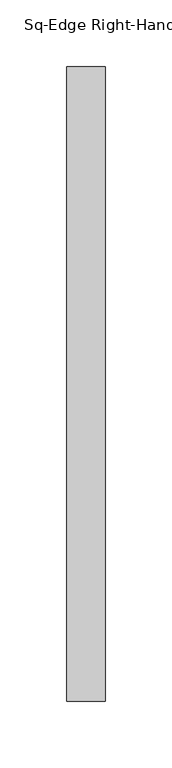
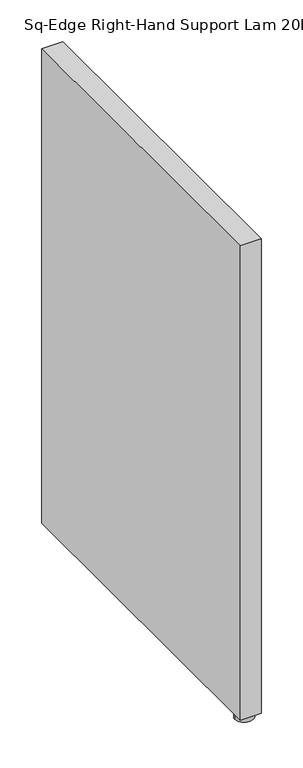
"""IFC4 building model written with IfcOpenShell, lengths in millimetres: furniture geometry, Sq-Edge Right-Hand Support Lam 20D."""

from ifc_helpers import new_model, si_unit, frame, origin, place, context, project, spatial, polyline, circle_curve, outline, extrude, source, transform, mapped, element, save
from ifc_brep_helpers import plane_surface, cylinder_surface, advanced_brep


def sq_edge_right_hand_support_lam_20d_f5b41f7b(model_context):
    return source(origin(), model_context, "Body", "SolidModel", [
        advanced_brep(
        [(-15.9512, -463.1689845, 8.6613997), (-11.8267541, -463.1689845, 8.6613997), (-20.0756459, -463.1689845, 8.6613997), (-28.6512004, -463.1689845, -1e-07), (-3.2511996, -463.1689845, -1e-07), (-15.9512, -463.1689845, -1e-07), (-28.6512004, -463.1689845, 7.874), (-3.2511996, -463.1689845, 7.874), (-20.0756459, -463.1689845, 7.874), (-11.8267541, -463.1689845, 7.874)],
        [
            (0, 1),
            (1, 2, circle_curve(frame((-15.9512, -463.1689845, 8.6613997), z_axis=(0.0, 0.0, 1.0), x_axis=(1.0, 0.0, 0.0)), 4.1244459)),
            (2, 0),
            (2, 1, circle_curve(frame((-15.9512, -463.1689845, 8.6613997), z_axis=(0.0, 0.0, 1.0), x_axis=(1.0, 0.0, 0.0)), 4.1244459)),
            (3, 4, circle_curve(frame((-15.9512, -463.1689845, -1e-07), z_axis=(0.0, 0.0, -1.0), x_axis=(1.0, 0.0, 0.0)), 12.7000004)),
            (4, 5),
            (5, 3),
            (4, 3, circle_curve(frame((-15.9512, -463.1689845, -1e-07), z_axis=(0.0, 0.0, -1.0), x_axis=(1.0, 0.0, 0.0)), 12.7000004)),
            (6, 7, circle_curve(frame((-15.9512, -463.1689845, 7.874), z_axis=(0.0, 0.0, -1.0), x_axis=(1.0, 0.0, 0.0)), 12.7000004)),
            (7, 4),
            (3, 6),
            (7, 6, circle_curve(frame((-15.9512, -463.1689845, 7.874), z_axis=(0.0, 0.0, -1.0), x_axis=(1.0, 0.0, 0.0)), 12.7000004)),
            (8, 9, circle_curve(frame((-15.9512, -463.1689845, 7.874), z_axis=(0.0, 0.0, -1.0), x_axis=(1.0, 0.0, 0.0)), 4.1244459)),
            (9, 7),
            (6, 8),
            (9, 8, circle_curve(frame((-15.9512, -463.1689845, 7.874), z_axis=(0.0, 0.0, -1.0), x_axis=(1.0, 0.0, 0.0)), 4.1244459)),
            (1, 9),
            (8, 2),
        ],
        [
            plane_surface(frame((-15.9512, -463.1689845, 8.6613997), z_axis=(0.0, 0.0, 1.0), x_axis=(1.0, 0.0, 0.0))),
            plane_surface(frame((-15.9512, -463.1689845, -1e-07), z_axis=(0.0, 0.0, -1.0), x_axis=(1.0, 0.0, 0.0))),
            cylinder_surface(frame((-15.9512, -463.1689845, 15.4967659), z_axis=(0.0, 0.0, 1.0), x_axis=(1.0, 0.0, 0.0)), 12.7000004),
            plane_surface(frame((-15.9512, -463.1689845, 7.874), z_axis=(0.0, 0.0, 1.0), x_axis=(1.0, 0.0, 0.0))),
            cylinder_surface(frame((-15.9512, -463.1689845, 15.4967659), z_axis=(0.0, 0.0, 1.0), x_axis=(1.0, 0.0, 0.0)), 4.1244459),
        ],
        [
            (0, [[1, 2, 3]]),
            (0, [[-3, 4, -1]]),
            (1, [[5, 6, 7]]),
            (1, [[8, -7, -6]]),
            (2, [[9, 10, -5, 11]]),
            (2, [[12, -11, -8, -10]]),
            (3, [[13, 14, -9, 15]]),
            (3, [[16, -15, -12, -14]]),
            (4, [[-2, 17, -13, 18]]),
            (4, [[-4, -18, -16, -17]]),
        ],
    ),
        extrude(outline(polyline([(-1.524, -479.044), (-30.3784, -479.044), (-30.3784, -3.556), (-1.524, -3.556), (-1.524, -479.044)])), frame((0.0, 0.0, 8.6614), z_axis=(0.0, 0.0, 1.0), x_axis=(1.0, 0.0, 0.0)), (0.0, 0.0, 1.0), 693.7502),
    ])


if __name__ == "__main__":
    model = new_model("IFC4")
    model_context = context("Model", 3, world=origin())
    ifc_project = project(units=[si_unit("LENGTHUNIT", "METRE", prefix="MILLI")], contexts=[model_context])
    site = spatial("IfcSite", under=ifc_project)
    building = spatial("IfcBuilding", under=site)
    placement = place(None, origin())
    sq_edge_right_hand_support_lam_20d_shape = sq_edge_right_hand_support_lam_20d_f5b41f7b(model_context)
    element("IfcFurniture", 1, ObjectType="Sq-Edge Right-Hand Support Lam 20D", at=placement, inside=building, context=model_context, shape_type="MappedRepresentation", body=[
        mapped(sq_edge_right_hand_support_lam_20d_shape, transform((0.0, 0.0, 0.0), x_axis=(1.0, 0.0, 0.0), y_axis=(0.0, 1.0, 0.0), z_axis=(0.0, 0.0, 1.0))),
    ])
    save(model, "model.ifc")
